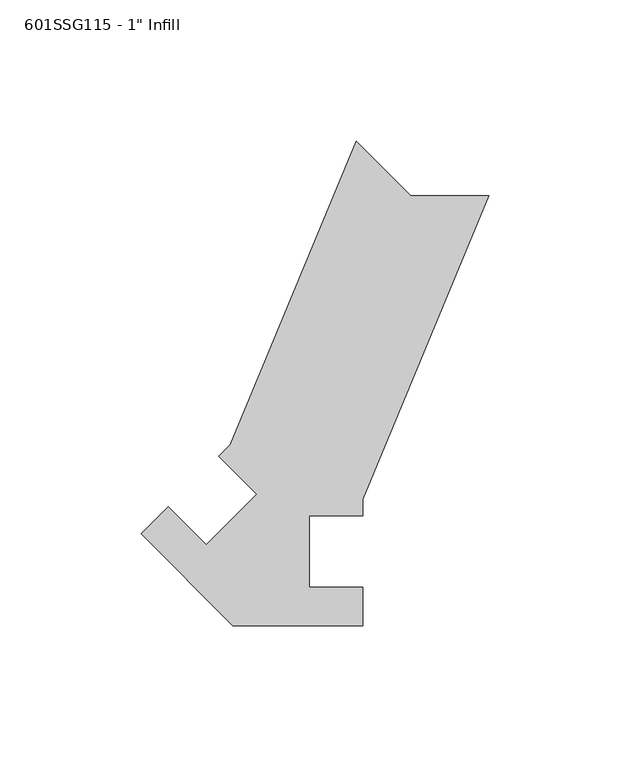
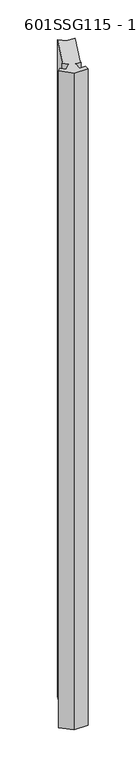
"""IFC4 building model written with IfcOpenShell, lengths in millimetres: proxy geometry."""

from ifc_helpers import new_model, si_unit, frame, origin, place, context, project, spatial, polyline, outline, extrude, source, transform, mapped, element, save


def proxy_3f20b628(model_context):
    return source(origin(), model_context, "Body", "SweptSolid", [
        extrude(outline(polyline([(-11.8068074, 37.8692441), (32.7619014, 145.4676254), (52.2022198, 126.027307), (79.6949817, 126.027307), (35.1262729, 18.4289258), (35.1262729, 12.7000997), (16.0762729, 12.7000997), (16.0762729, -12.6999003), (35.1262729, -12.6999003), (35.1262729, -26.372693), (-10.9239271, -26.372693), (-43.4863358, 6.1897157), (-33.8182114, 15.8578401), (-20.3478272, 2.3874559), (-2.387315, 20.3479681), (-15.8576992, 33.8183523), (-11.8068074, 37.8692441)])), frame((0.0, 0.0, 63.5), z_axis=(0.0, 0.0, 1.0), x_axis=(1.0, 0.0, 0.0)), (0.0, 0.0, 1.0), 2324.1),
    ])


if __name__ == "__main__":
    model = new_model("IFC4")
    model_context = context("Model", 3, world=origin())
    ifc_project = project(units=[si_unit("LENGTHUNIT", "METRE", prefix="MILLI")], contexts=[model_context])
    site = spatial("IfcSite", under=ifc_project)
    building = spatial("IfcBuilding", under=site)
    placement = place(None, origin())
    proxy_shape = proxy_3f20b628(model_context)
    element("IfcBuildingElementProxy", 1, Name="601SSG115 - 1\" Infill", ObjectType="601SSG115 - 1\" Infill", at=placement, inside=building, context=model_context, shape_type="MappedRepresentation", body=[
        mapped(proxy_shape, transform((0.0, 0.0, 0.0), x_axis=(1.0, 0.0, 0.0), y_axis=(0.0, 1.0, 0.0), z_axis=(0.0, 0.0, 1.0))),
    ])
    save(model, "model.ifc")
